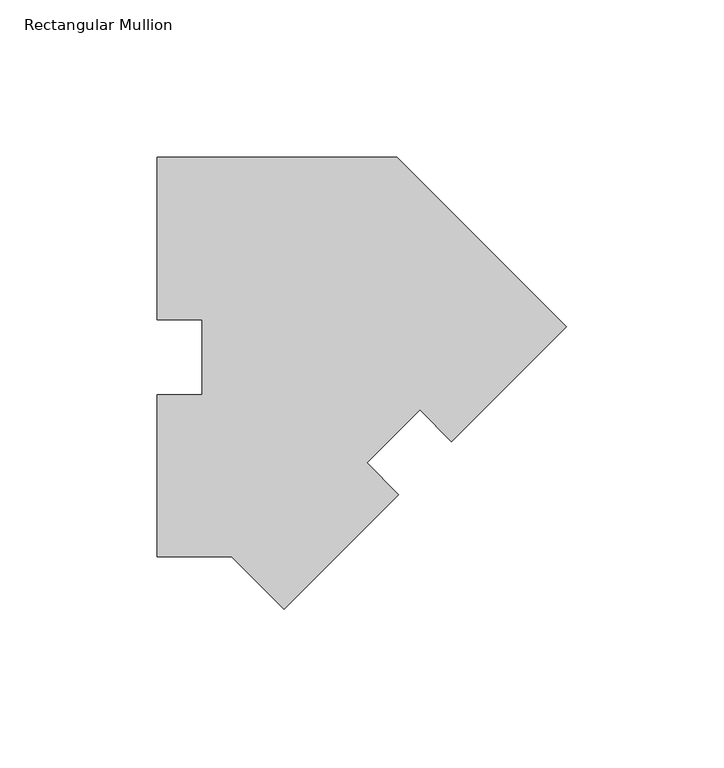
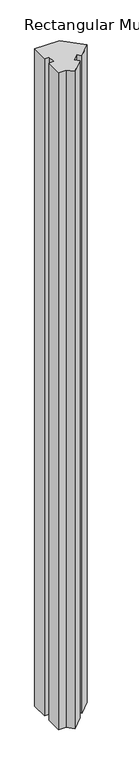
"""IFC4 building model written with IfcOpenShell, lengths in millimetres: member geometry, Rectangular Mullion."""

import ifcopenshell
import ifcopenshell.guid

model = None  # the IFC model being written
_history = None  # IfcOwnerHistory: only IFC2X3 demands one
_inside = {}  # id of a spatial element -> (the spatial element, [elements in it])
_under = {}  # id of a project, library or spatial element -> (it, [spatial elements below it])
_declared = {}  # id of a project -> (the project, [libraries it declares])
_typed = {}  # id of a type object -> (the type object, [elements of that type])
_made_of = {}  # id of a material, layer set ... -> (it, [elements and type objects made of it])


def new_model(schema):
    """Start an empty IFC model of exactly this schema.

    Asked for "IFC4X3", IfcOpenShell would pick the latest addendum, in which some entities
    have other attributes; the version numbers below select the first issue.
    IFC2X3 requires an IfcOwnerHistory on every rooted entity: one is made here for all.
    """
    global model, _history
    if schema == "IFC4X3":
        model = ifcopenshell.file(schema_version=(4, 3, 0, 0))
    else:
        model = ifcopenshell.file(schema=schema)
    _inside.clear()
    _under.clear()
    _declared.clear()
    _typed.clear()
    _made_of.clear()
    _history = None
    if model.schema == "IFC2X3":
        org = make("IfcOrganization", Name="unknown")
        user = make(
            "IfcPersonAndOrganization",
            ThePerson=make("IfcPerson", FamilyName="unknown"),
            TheOrganization=org,
        )
        app = make(
            "IfcApplication",
            ApplicationDeveloper=org,
            Version="unknown",
            ApplicationFullName="unknown",
            ApplicationIdentifier="unknown",
        )
        _history = make(
            "IfcOwnerHistory",
            OwningUser=user,
            OwningApplication=app,
            ChangeAction="ADDED",
            CreationDate=0,
        )
    return model


def make(cls, **values):
    """One entity of the class cls with the attributes given. An attribute that is None is left unset."""
    return model.create_entity(
        cls, **{name: value for name, value in values.items() if value is not None}
    )


def rooted(cls, **values):
    """An entity with a GlobalId (a new one), such as an element, a storey or a relation."""
    return make(cls, GlobalId=ifcopenshell.guid.new(), OwnerHistory=_history, **values)


def si_unit(unit_type, name, prefix=None):
    """IfcSIUnit, for example si_unit("LENGTHUNIT", "METRE", prefix="MILLI")."""
    return make("IfcSIUnit", UnitType=unit_type, Prefix=prefix, Name=name)


def assignment(units):
    """IfcUnitAssignment: the units of a project."""
    return None if units is None else make("IfcUnitAssignment", Units=units)


def point(xyz):
    """IfcCartesianPoint."""
    return None if xyz is None else make("IfcCartesianPoint", Coordinates=xyz)


def direction(xyz):
    """IfcDirection."""
    return None if xyz is None else make("IfcDirection", DirectionRatios=xyz)


def frame(location, z_axis=None, x_axis=None):
    """IfcAxis2Placement3D, a coordinate frame: its origin and axes. An axis left out is left unset."""
    return make(
        "IfcAxis2Placement3D",
        Location=point(location),
        Axis=direction(z_axis),
        RefDirection=direction(x_axis),
    )


def origin():
    """The frame at (0, 0, 0) with its axes left unset."""
    return frame((0.0, 0.0, 0.0))


def place(relative_to, where):
    """IfcLocalPlacement: puts the frame where relative to a parent placement (None: the world)."""
    return make(
        "IfcLocalPlacement", PlacementRelTo=relative_to, RelativePlacement=where
    )


def context(
    kind, dimensions, precision=None, world=None, true_north=None, identifier=None
):
    """IfcGeometricRepresentationContext, for example the 3D "Model" context."""
    return make(
        "IfcGeometricRepresentationContext",
        ContextIdentifier=identifier,
        ContextType=kind,
        CoordinateSpaceDimension=dimensions,
        Precision=precision,
        WorldCoordinateSystem=world,
        TrueNorth=true_north,
    )


def project(units=None, contexts=None):
    """IfcProject with its units and contexts."""
    return rooted(
        "IfcProject",
        Name="project",
        RepresentationContexts=contexts,
        UnitsInContext=assignment(units),
    )


def spatial(cls, under=None, at=None, **own):
    """A site, building, storey or space (cls), placed at a placement, below another one or the project."""
    s = rooted(cls, ObjectPlacement=at, **own)
    if under is not None:
        _under.setdefault(under.id(), (under, []))[1].append(s)
    return s


def polyline(points):
    """IfcPolyline through the points."""
    return make("IfcPolyline", Points=[point(p) for p in points])


def outline(outer, holes=None, kind="AREA"):
    """IfcArbitraryClosedProfileDef: a profile drawn as a closed curve; with holes, ...WithVoids."""
    if holes is None:
        return make("IfcArbitraryClosedProfileDef", ProfileType=kind, OuterCurve=outer)
    return make(
        "IfcArbitraryProfileDefWithVoids",
        ProfileType=kind,
        OuterCurve=outer,
        InnerCurves=holes,
    )


def extrude(swept, where, along, depth):
    """IfcExtrudedAreaSolid: the profile swept, set in the frame where, extruded along a direction by depth."""
    return make(
        "IfcExtrudedAreaSolid",
        SweptArea=swept,
        Position=where,
        ExtrudedDirection=direction(along),
        Depth=depth,
    )


def shape(context_of_items, identifier, shape_type, items):
    """IfcShapeRepresentation: the items that make up one representation, for example the "Body"."""
    return make(
        "IfcShapeRepresentation",
        ContextOfItems=context_of_items,
        RepresentationIdentifier=identifier,
        RepresentationType=shape_type,
        Items=items,
    )


def source(mapping_origin, context_of_items, identifier, shape_type, items):
    """IfcRepresentationMap: a shape defined once, which mapped items show again and again."""
    return make(
        "IfcRepresentationMap",
        MappingOrigin=mapping_origin,
        MappedRepresentation=shape(context_of_items, identifier, shape_type, items),
    )


def transform(
    local_origin,
    x_axis=None,
    y_axis=None,
    z_axis=None,
    scale=None,
    scale2=None,
    scale3=None,
    uniform=True,
):
    """IfcCartesianTransformationOperator3D, or its non-uniform kind. x_axis, y_axis, z_axis: its Axis1, 2, 3."""
    if uniform:
        return make(
            "IfcCartesianTransformationOperator3D",
            Axis1=direction(x_axis),
            Axis2=direction(y_axis),
            LocalOrigin=point(local_origin),
            Scale=scale,
            Axis3=direction(z_axis),
        )
    return make(
        "IfcCartesianTransformationOperator3DnonUniform",
        Axis1=direction(x_axis),
        Axis2=direction(y_axis),
        LocalOrigin=point(local_origin),
        Scale=scale,
        Axis3=direction(z_axis),
        Scale2=scale2,
        Scale3=scale3,
    )


def mapped(mapping_source, mapping_target):
    """IfcMappedItem: shows the shape of a source again, moved by a transform."""
    return make(
        "IfcMappedItem", MappingSource=mapping_source, MappingTarget=mapping_target
    )


def made_of(thing, what):
    """Note that an element or type object is made of a material, layer set ...; save() writes the relation."""
    if what is not None:
        _made_of.setdefault(what.id(), (what, []))[1].append(thing)
    return thing


def element(
    cls,
    number,
    at=None,
    inside=None,
    cuts=None,
    type_object=None,
    material=None,
    context=None,
    identifier="Body",
    shape_type=None,
    held_by="IfcProductDefinitionShape",
    body=None,
    shapes=None,
    **own,
):
    """One element of the class cls, such as IfcWall. Its Tag is "e" and its number.

    at: its placement. inside: the storey or other place that contains it. cuts: it is an
    opening in that element (IfcRelVoidsElement). A single representation is given by context,
    identifier, shape_type and body (its items); several are given by shapes. held_by: the class
    of the entity that holds the representations. save() writes the other relations.
    """
    e = rooted(cls, Tag="e%d" % number, ObjectPlacement=at, **own)
    if body is not None:
        shapes = [shape(context, identifier, shape_type, body)]
    if shapes is not None:
        e.Representation = make(held_by, Representations=shapes)
    if inside is not None:
        _inside.setdefault(inside.id(), (inside, []))[1].append(e)
    if cuts is not None:
        rooted(
            "IfcRelVoidsElement", RelatingBuildingElement=cuts, RelatedOpeningElement=e
        )
    if type_object is not None:
        _typed.setdefault(type_object.id(), (type_object, []))[1].append(e)
    return made_of(e, material)


def aggregate(whole, parts):
    """IfcRelAggregates: a whole, such as a stair, and the parts it consists of."""
    return rooted("IfcRelAggregates", RelatingObject=whole, RelatedObjects=parts)


def save(model, path):
    """Write the relations noted so far, then the file.

    IfcRelAggregates (storeys below a building ...), IfcRelContainedInSpatialStructure (elements
    in a storey), IfcRelDefinesByType, IfcRelAssociatesMaterial and IfcRelDeclares: one each for
    every whole, place, type object, material and project.
    """
    for whole, parts in _under.values():
        aggregate(whole, parts)
    for where, things in _inside.values():
        rooted(
            "IfcRelContainedInSpatialStructure",
            RelatedElements=things,
            RelatingStructure=where,
        )
    for kind, things in _typed.values():
        rooted("IfcRelDefinesByType", RelatedObjects=things, RelatingType=kind)
    for what, things in _made_of.values():
        rooted("IfcRelAssociatesMaterial", RelatedObjects=things, RelatingMaterial=what)
    for by, libraries in _declared.values():
        rooted("IfcRelDeclares", RelatingContext=by, RelatedDefinitions=libraries)
    model.write(path)


def rectangular_mullion_480ca4da(model_context):
    return source(origin(), model_context, "Body", "SweptSolid", [
        extrude(outline(polyline([(-130.0815367, 127.00635), (-53.8815367, 127.00635), (0.0, 73.1248133), (-36.4867806, 36.6380327), (-46.5895688, 46.7408208), (-63.4185687, 29.9118208), (-53.3157806, 19.8090327), (-89.8025612, -16.6777479), (-106.4866591, 0.00635), (-130.0815367, 0.00635), (-130.0815367, 51.60645), (-115.7940367, 51.60645), (-115.7940367, 75.40625), (-130.0815367, 75.40625), (-130.0815367, 127.00635)])), frame((0.0, 0.0, -2133.6), z_axis=(0.0, 0.0, 1.0), x_axis=(1.0, 0.0, 0.0)), (0.0, 0.0, 1.0), 2133.6),
    ])


if __name__ == "__main__":
    model = new_model("IFC4")
    model_context = context("Model", 3, world=origin())
    ifc_project = project(units=[si_unit("LENGTHUNIT", "METRE", prefix="MILLI")], contexts=[model_context])
    site = spatial("IfcSite", under=ifc_project)
    building = spatial("IfcBuilding", under=site)
    placement = place(None, origin())
    rectangular_mullion_shape = rectangular_mullion_480ca4da(model_context)
    element("IfcMember", 1, ObjectType="Rectangular Mullion", at=placement, inside=building, context=model_context, shape_type="MappedRepresentation", body=[
        mapped(rectangular_mullion_shape, transform((0.0, 0.0, 0.0), x_axis=(1.0, 0.0, 0.0), y_axis=(0.0, 1.0, 0.0), z_axis=(0.0, 0.0, 1.0))),
    ])
    save(model, "model.ifc")
